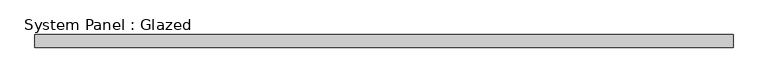
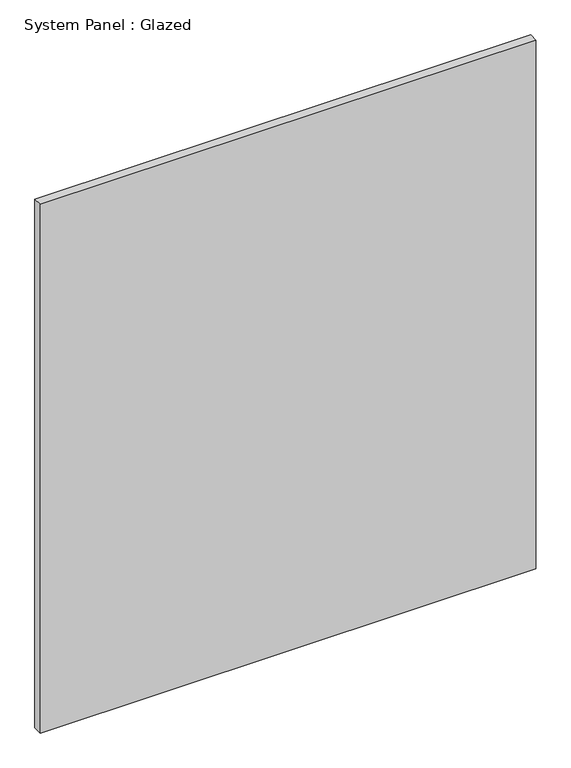
"""IFC4 building model written with IfcOpenShell, lengths in millimetres: plate geometry, System Panel : Glazed."""

import ifcopenshell
import ifcopenshell.guid

model = None  # the IFC model being written
_history = None  # IfcOwnerHistory: only IFC2X3 demands one
_inside = {}  # id of a spatial element -> (the spatial element, [elements in it])
_under = {}  # id of a project, library or spatial element -> (it, [spatial elements below it])
_declared = {}  # id of a project -> (the project, [libraries it declares])
_typed = {}  # id of a type object -> (the type object, [elements of that type])
_made_of = {}  # id of a material, layer set ... -> (it, [elements and type objects made of it])


def new_model(schema):
    """Start an empty IFC model of exactly this schema.

    Asked for "IFC4X3", IfcOpenShell would pick the latest addendum, in which some entities
    have other attributes; the version numbers below select the first issue.
    IFC2X3 requires an IfcOwnerHistory on every rooted entity: one is made here for all.
    """
    global model, _history
    if schema == "IFC4X3":
        model = ifcopenshell.file(schema_version=(4, 3, 0, 0))
    else:
        model = ifcopenshell.file(schema=schema)
    _inside.clear()
    _under.clear()
    _declared.clear()
    _typed.clear()
    _made_of.clear()
    _history = None
    if model.schema == "IFC2X3":
        org = make("IfcOrganization", Name="unknown")
        user = make(
            "IfcPersonAndOrganization",
            ThePerson=make("IfcPerson", FamilyName="unknown"),
            TheOrganization=org,
        )
        app = make(
            "IfcApplication",
            ApplicationDeveloper=org,
            Version="unknown",
            ApplicationFullName="unknown",
            ApplicationIdentifier="unknown",
        )
        _history = make(
            "IfcOwnerHistory",
            OwningUser=user,
            OwningApplication=app,
            ChangeAction="ADDED",
            CreationDate=0,
        )
    return model


def make(cls, **values):
    """One entity of the class cls with the attributes given. An attribute that is None is left unset."""
    return model.create_entity(
        cls, **{name: value for name, value in values.items() if value is not None}
    )


def rooted(cls, **values):
    """An entity with a GlobalId (a new one), such as an element, a storey or a relation."""
    return make(cls, GlobalId=ifcopenshell.guid.new(), OwnerHistory=_history, **values)


def si_unit(unit_type, name, prefix=None):
    """IfcSIUnit, for example si_unit("LENGTHUNIT", "METRE", prefix="MILLI")."""
    return make("IfcSIUnit", UnitType=unit_type, Prefix=prefix, Name=name)


def assignment(units):
    """IfcUnitAssignment: the units of a project."""
    return None if units is None else make("IfcUnitAssignment", Units=units)


def point(xyz):
    """IfcCartesianPoint."""
    return None if xyz is None else make("IfcCartesianPoint", Coordinates=xyz)


def direction(xyz):
    """IfcDirection."""
    return None if xyz is None else make("IfcDirection", DirectionRatios=xyz)


def frame(location, z_axis=None, x_axis=None):
    """IfcAxis2Placement3D, a coordinate frame: its origin and axes. An axis left out is left unset."""
    return make(
        "IfcAxis2Placement3D",
        Location=point(location),
        Axis=direction(z_axis),
        RefDirection=direction(x_axis),
    )


def origin():
    """The frame at (0, 0, 0) with its axes left unset."""
    return frame((0.0, 0.0, 0.0))


def origin_with_axes():
    """The frame at (0, 0, 0) with the z axis (0, 0, 1) and the x axis (1, 0, 0) written out."""
    return frame((0.0, 0.0, 0.0), z_axis=(0.0, 0.0, 1.0), x_axis=(1.0, 0.0, 0.0))


def place(relative_to, where):
    """IfcLocalPlacement: puts the frame where relative to a parent placement (None: the world)."""
    return make(
        "IfcLocalPlacement", PlacementRelTo=relative_to, RelativePlacement=where
    )


def context(
    kind, dimensions, precision=None, world=None, true_north=None, identifier=None
):
    """IfcGeometricRepresentationContext, for example the 3D "Model" context."""
    return make(
        "IfcGeometricRepresentationContext",
        ContextIdentifier=identifier,
        ContextType=kind,
        CoordinateSpaceDimension=dimensions,
        Precision=precision,
        WorldCoordinateSystem=world,
        TrueNorth=true_north,
    )


def project(units=None, contexts=None):
    """IfcProject with its units and contexts."""
    return rooted(
        "IfcProject",
        Name="project",
        RepresentationContexts=contexts,
        UnitsInContext=assignment(units),
    )


def spatial(cls, under=None, at=None, **own):
    """A site, building, storey or space (cls), placed at a placement, below another one or the project."""
    s = rooted(cls, ObjectPlacement=at, **own)
    if under is not None:
        _under.setdefault(under.id(), (under, []))[1].append(s)
    return s


def polyline(points):
    """IfcPolyline through the points."""
    return make("IfcPolyline", Points=[point(p) for p in points])


def outline(outer, holes=None, kind="AREA"):
    """IfcArbitraryClosedProfileDef: a profile drawn as a closed curve; with holes, ...WithVoids."""
    if holes is None:
        return make("IfcArbitraryClosedProfileDef", ProfileType=kind, OuterCurve=outer)
    return make(
        "IfcArbitraryProfileDefWithVoids",
        ProfileType=kind,
        OuterCurve=outer,
        InnerCurves=holes,
    )


def extrude(swept, where, along, depth):
    """IfcExtrudedAreaSolid: the profile swept, set in the frame where, extruded along a direction by depth."""
    return make(
        "IfcExtrudedAreaSolid",
        SweptArea=swept,
        Position=where,
        ExtrudedDirection=direction(along),
        Depth=depth,
    )


def shape(context_of_items, identifier, shape_type, items):
    """IfcShapeRepresentation: the items that make up one representation, for example the "Body"."""
    return make(
        "IfcShapeRepresentation",
        ContextOfItems=context_of_items,
        RepresentationIdentifier=identifier,
        RepresentationType=shape_type,
        Items=items,
    )


def source(mapping_origin, context_of_items, identifier, shape_type, items):
    """IfcRepresentationMap: a shape defined once, which mapped items show again and again."""
    return make(
        "IfcRepresentationMap",
        MappingOrigin=mapping_origin,
        MappedRepresentation=shape(context_of_items, identifier, shape_type, items),
    )


def transform(
    local_origin,
    x_axis=None,
    y_axis=None,
    z_axis=None,
    scale=None,
    scale2=None,
    scale3=None,
    uniform=True,
):
    """IfcCartesianTransformationOperator3D, or its non-uniform kind. x_axis, y_axis, z_axis: its Axis1, 2, 3."""
    if uniform:
        return make(
            "IfcCartesianTransformationOperator3D",
            Axis1=direction(x_axis),
            Axis2=direction(y_axis),
            LocalOrigin=point(local_origin),
            Scale=scale,
            Axis3=direction(z_axis),
        )
    return make(
        "IfcCartesianTransformationOperator3DnonUniform",
        Axis1=direction(x_axis),
        Axis2=direction(y_axis),
        LocalOrigin=point(local_origin),
        Scale=scale,
        Axis3=direction(z_axis),
        Scale2=scale2,
        Scale3=scale3,
    )


def mapped(mapping_source, mapping_target):
    """IfcMappedItem: shows the shape of a source again, moved by a transform."""
    return make(
        "IfcMappedItem", MappingSource=mapping_source, MappingTarget=mapping_target
    )


def made_of(thing, what):
    """Note that an element or type object is made of a material, layer set ...; save() writes the relation."""
    if what is not None:
        _made_of.setdefault(what.id(), (what, []))[1].append(thing)
    return thing


def element(
    cls,
    number,
    at=None,
    inside=None,
    cuts=None,
    type_object=None,
    material=None,
    context=None,
    identifier="Body",
    shape_type=None,
    held_by="IfcProductDefinitionShape",
    body=None,
    shapes=None,
    **own,
):
    """One element of the class cls, such as IfcWall. Its Tag is "e" and its number.

    at: its placement. inside: the storey or other place that contains it. cuts: it is an
    opening in that element (IfcRelVoidsElement). A single representation is given by context,
    identifier, shape_type and body (its items); several are given by shapes. held_by: the class
    of the entity that holds the representations. save() writes the other relations.
    """
    e = rooted(cls, Tag="e%d" % number, ObjectPlacement=at, **own)
    if body is not None:
        shapes = [shape(context, identifier, shape_type, body)]
    if shapes is not None:
        e.Representation = make(held_by, Representations=shapes)
    if inside is not None:
        _inside.setdefault(inside.id(), (inside, []))[1].append(e)
    if cuts is not None:
        rooted(
            "IfcRelVoidsElement", RelatingBuildingElement=cuts, RelatedOpeningElement=e
        )
    if type_object is not None:
        _typed.setdefault(type_object.id(), (type_object, []))[1].append(e)
    return made_of(e, material)


def aggregate(whole, parts):
    """IfcRelAggregates: a whole, such as a stair, and the parts it consists of."""
    return rooted("IfcRelAggregates", RelatingObject=whole, RelatedObjects=parts)


def save(model, path):
    """Write the relations noted so far, then the file.

    IfcRelAggregates (storeys below a building ...), IfcRelContainedInSpatialStructure (elements
    in a storey), IfcRelDefinesByType, IfcRelAssociatesMaterial and IfcRelDeclares: one each for
    every whole, place, type object, material and project.
    """
    for whole, parts in _under.values():
        aggregate(whole, parts)
    for where, things in _inside.values():
        rooted(
            "IfcRelContainedInSpatialStructure",
            RelatedElements=things,
            RelatingStructure=where,
        )
    for kind, things in _typed.values():
        rooted("IfcRelDefinesByType", RelatedObjects=things, RelatingType=kind)
    for what, things in _made_of.values():
        rooted("IfcRelAssociatesMaterial", RelatedObjects=things, RelatingMaterial=what)
    for by, libraries in _declared.values():
        rooted("IfcRelDeclares", RelatingContext=by, RelatedDefinitions=libraries)
    model.write(path)


def system_panel_glazed_a779f0a4(model_context):
    return source(origin(), model_context, "Body", "SweptSolid", [
        extrude(outline(polyline([(667.8571429, 24.5), (-667.8571429, 24.5), (-667.8571429, 49.5), (667.8571429, 49.5), (667.8571429, 24.5)])), origin_with_axes(), (0.0, 0.0, 1.0), 1506.050088),
    ])


if __name__ == "__main__":
    model = new_model("IFC4")
    model_context = context("Model", 3, world=origin())
    ifc_project = project(units=[si_unit("LENGTHUNIT", "METRE", prefix="MILLI")], contexts=[model_context])
    site = spatial("IfcSite", under=ifc_project)
    building = spatial("IfcBuilding", under=site)
    placement = place(None, origin())
    system_panel_glazed_shape = system_panel_glazed_a779f0a4(model_context)
    element("IfcPlate", 1, ObjectType="System Panel : Glazed", at=placement, inside=building, context=model_context, shape_type="MappedRepresentation", body=[
        mapped(system_panel_glazed_shape, transform((0.0, 0.0, 0.0), x_axis=(1.0, 0.0, 0.0), y_axis=(0.0, 1.0, 0.0), z_axis=(0.0, 0.0, 1.0))),
    ])
    save(model, "model.ifc")
